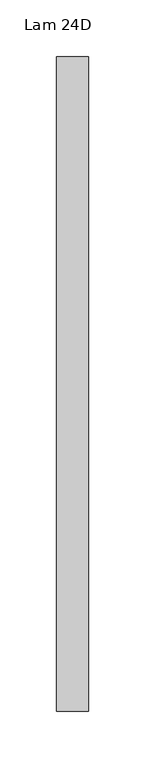
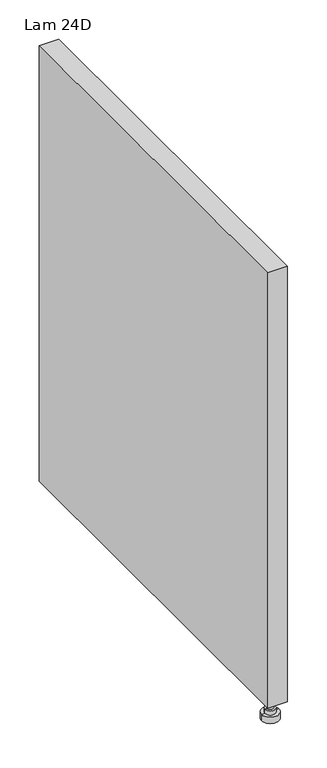
"""IFC4 building model written with IfcOpenShell, lengths in millimetres: furniture geometry, Lam 24D."""

from ifc_helpers import new_model, si_unit, frame, origin, place, context, project, spatial, polyline, circle_curve, outline, extrude, source, transform, mapped, element, save
from ifc_brep_helpers import plane_surface, cylinder_surface, advanced_brep


def lam_24d_f2611b0c(model_context):
    return source(origin(), model_context, "Body", "SolidModel", [
        advanced_brep(
        [(-413.22752, 173.482, 15.875), (-397.98752, 173.482, 15.875), (-400.84502, 173.482, 15.875), (-410.37002, 173.482, 15.875), (-413.22752, 173.482, 9.525), (-397.98752, 173.482, 9.525), (-418.30752, 173.482, 0.0), (-392.90752, 173.482, 0.0), (-392.90752, 173.482, 9.525), (-418.30752, 173.482, 9.525), (-405.60752, 173.482, 0.0), (-410.37002, 173.482, 31.75), (-400.84502, 173.482, 31.75), (-405.60752, 173.482, 31.75)],
        [
            (0, 1, circle_curve(frame((-405.60752, 173.482, 15.875), z_axis=(0.0, 0.0, 1.0), x_axis=(1.0, 0.0, 0.0)), 7.62)),
            (1, 2),
            (2, 3, circle_curve(frame((-405.60752, 173.482, 15.875), z_axis=(0.0, 0.0, -1.0), x_axis=(1.0, 0.0, 0.0)), 4.7625)),
            (3, 0),
            (1, 0, circle_curve(frame((-405.60752, 173.482, 15.875), z_axis=(0.0, 0.0, 1.0), x_axis=(1.0, 0.0, 0.0)), 7.62)),
            (3, 2, circle_curve(frame((-405.60752, 173.482, 15.875), z_axis=(0.0, 0.0, -1.0), x_axis=(1.0, 0.0, 0.0)), 4.7625)),
            (4, 5, circle_curve(frame((-405.60752, 173.482, 9.525), z_axis=(0.0, 0.0, 1.0), x_axis=(1.0, 0.0, 0.0)), 7.62)),
            (5, 1),
            (0, 4),
            (5, 4, circle_curve(frame((-405.60752, 173.482, 9.525), z_axis=(0.0, 0.0, 1.0), x_axis=(1.0, 0.0, 0.0)), 7.62)),
            (6, 7, circle_curve(frame((-405.60752, 173.482, 0.0), z_axis=(0.0, 0.0, 1.0), x_axis=(1.0, 0.0, 0.0)), 12.7)),
            (7, 8),
            (8, 9, circle_curve(frame((-405.60752, 173.482, 9.525), z_axis=(0.0, 0.0, -1.0), x_axis=(1.0, 0.0, 0.0)), 12.7)),
            (9, 6),
            (7, 6, circle_curve(frame((-405.60752, 173.482, 0.0), z_axis=(0.0, 0.0, 1.0), x_axis=(1.0, 0.0, 0.0)), 12.7)),
            (9, 8, circle_curve(frame((-405.60752, 173.482, 9.525), z_axis=(0.0, 0.0, -1.0), x_axis=(1.0, 0.0, 0.0)), 12.7)),
            (10, 7),
            (6, 10),
            (8, 5),
            (4, 9),
            (11, 12, circle_curve(frame((-405.60752, 173.482, 31.75), z_axis=(0.0, 0.0, 1.0), x_axis=(1.0, 0.0, 0.0)), 4.7625)),
            (12, 13),
            (13, 11),
            (12, 11, circle_curve(frame((-405.60752, 173.482, 31.75), z_axis=(0.0, 0.0, 1.0), x_axis=(1.0, 0.0, 0.0)), 4.7625)),
            (2, 12),
            (11, 3),
        ],
        [
            plane_surface(frame((-405.60752, 173.482, 15.875), z_axis=(0.0, 0.0, 1.0), x_axis=(1.0, 0.0, 0.0))),
            cylinder_surface(frame((-405.60752, 173.482, 35.439326), z_axis=(0.0, 0.0, -1.0), x_axis=(1.0, 0.0, 0.0)), 7.62),
            cylinder_surface(frame((-405.60752, 173.482, 35.439326), z_axis=(0.0, 0.0, -1.0), x_axis=(1.0, 0.0, 0.0)), 12.7),
            plane_surface(frame((-405.60752, 173.482, 0.0), z_axis=(0.0, 0.0, -1.0), x_axis=(1.0, 0.0, 0.0))),
            plane_surface(frame((-405.60752, 173.482, 9.525), z_axis=(0.0, 0.0, 1.0), x_axis=(1.0, 0.0, 0.0))),
            plane_surface(frame((-405.60752, 173.482, 31.75), z_axis=(0.0, 0.0, 1.0), x_axis=(1.0, 0.0, 0.0))),
            cylinder_surface(frame((-405.60752, 173.482, 35.439326), z_axis=(0.0, 0.0, -1.0), x_axis=(1.0, 0.0, 0.0)), 4.7625),
        ],
        [
            (0, [[1, 2, 3, 4]]),
            (0, [[5, -4, 6, -2]]),
            (1, [[7, 8, -1, 9]]),
            (1, [[10, -9, -5, -8]]),
            (2, [[11, 12, 13, 14]]),
            (2, [[15, -14, 16, -12]]),
            (3, [[17, -11, 18]]),
            (3, [[-18, -15, -17]]),
            (4, [[-13, 19, -7, 20]]),
            (4, [[-16, -20, -10, -19]]),
            (5, [[21, 22, 23]]),
            (5, [[24, -23, -22]]),
            (6, [[-3, 25, -21, 26]]),
            (6, [[-6, -26, -24, -25]]),
        ],
    ),
        extrude(outline(polyline([(-419.89502, 733.552), (-391.32002, 733.552), (-391.32002, 154.432), (-419.89502, 154.432), (-419.89502, 733.552)])), frame((0.0, 0.0, 31.75), z_axis=(0.0, 0.0, 1.0), x_axis=(1.0, 0.0, 0.0)), (0.0, 0.0, 1.0), 673.1),
    ])


if __name__ == "__main__":
    model = new_model("IFC4")
    model_context = context("Model", 3, world=origin())
    ifc_project = project(units=[si_unit("LENGTHUNIT", "METRE", prefix="MILLI")], contexts=[model_context])
    site = spatial("IfcSite", under=ifc_project)
    building = spatial("IfcBuilding", under=site)
    placement = place(None, origin())
    lam_24d_shape = lam_24d_f2611b0c(model_context)
    element("IfcFurniture", 1, ObjectType="Lam 24D", at=placement, inside=building, context=model_context, shape_type="MappedRepresentation", body=[
        mapped(lam_24d_shape, transform((0.0, 0.0, 0.0), x_axis=(1.0, 0.0, 0.0), y_axis=(0.0, 1.0, 0.0), z_axis=(0.0, 0.0, 1.0))),
    ])
    save(model, "model.ifc")
